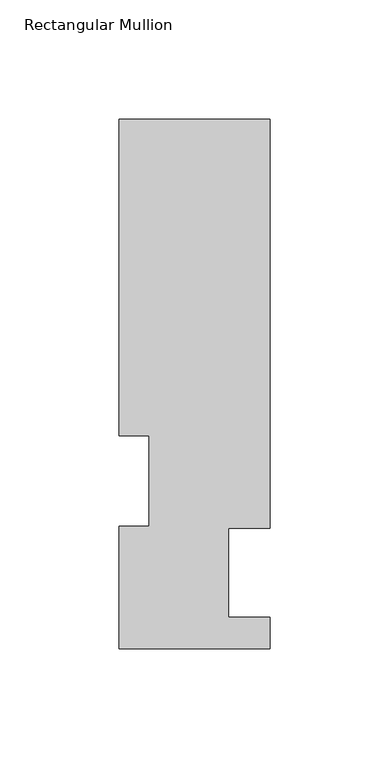
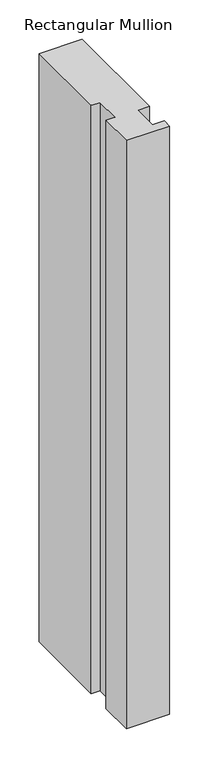
"""IFC4 building model written with IfcOpenShell, lengths in millimetres: member geometry, Rectangular Mullion."""

from ifc_helpers import new_model, si_unit, frame, origin, place, context, project, spatial, polyline, outline, extrude, source, transform, mapped, element, save


def rectangular_mullion_405fec6e(model_context):
    return source(origin(), model_context, "Body", "SweptSolid", [
        extrude(outline(polyline([(31.7500002, 222.5381313), (31.7500002, 50.8087295), (14.2747994, 50.8087295), (14.2747994, 13.3945312), (31.7500002, 13.3945312), (31.7500002, 0.2119312), (-31.7499998, 0.2119312), (-31.7499998, 51.4945316), (-19.0499998, 51.4945316), (-19.0499998, 89.5945313), (-31.7499998, 89.5945313), (-31.7499998, 222.5381313), (31.7500002, 222.5381313)])), frame((0.0, 0.0, -914.4), z_axis=(0.0, 0.0, 1.0), x_axis=(1.0, 0.0, 0.0)), (0.0, 0.0, 1.0), 914.4),
    ])


if __name__ == "__main__":
    model = new_model("IFC4")
    model_context = context("Model", 3, world=origin())
    ifc_project = project(units=[si_unit("LENGTHUNIT", "METRE", prefix="MILLI")], contexts=[model_context])
    site = spatial("IfcSite", under=ifc_project)
    building = spatial("IfcBuilding", under=site)
    placement = place(None, origin())
    rectangular_mullion_shape = rectangular_mullion_405fec6e(model_context)
    element("IfcMember", 1, ObjectType="Rectangular Mullion", at=placement, inside=building, context=model_context, shape_type="MappedRepresentation", body=[
        mapped(rectangular_mullion_shape, transform((0.0, 0.0, 0.0), x_axis=(1.0, 0.0, 0.0), y_axis=(0.0, 1.0, 0.0), z_axis=(0.0, 0.0, 1.0))),
    ])
    save(model, "model.ifc")
